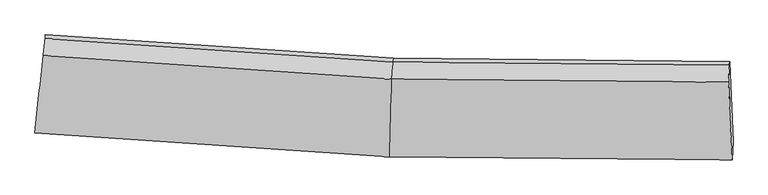
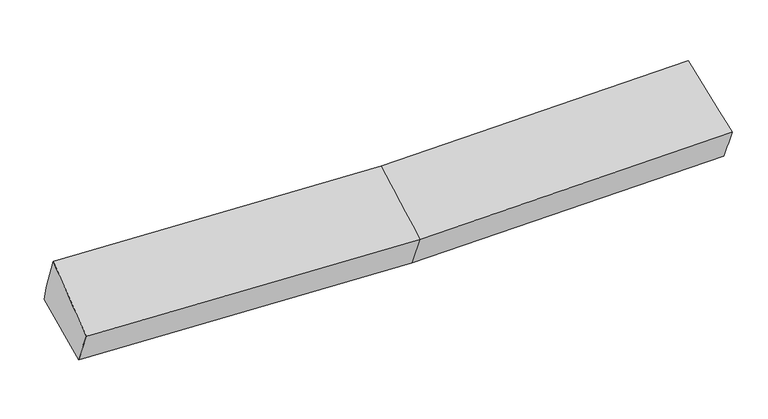
"""IFC4 building model written with IfcOpenShell, lengths in millimetres: proxy geometry."""

from ifc_helpers import new_model, si_unit, frame, origin, place, context, project, spatial, source, transform, mapped, element, save
from ifc_brep_helpers import plane_surface, spline_surface, advanced_brep


def generic_models_fd0217f6(model_context):
    return source(origin(), model_context, "Body", "AdvancedBrep", [
        advanced_brep(
        [(-3155.3938924, -1956.0454219, 2018.4445518), (-3137.4685641, -1795.2023797, 1669.5880021), (19.3710766, -2009.1409949, 1703.0546268), (7.0346921, -2170.3833182, 2051.9692591), (-3061.3307751, -1078.83199, 1838.7521292), (42.3510686, -1288.9729462, 1871.6663155), (-3065.2818697, -1112.8951263, 1984.7798376), (38.3999739, -1323.0360825, 2017.6940238), (-3082.3569226, -1265.3478174, 2354.9359225), (25.9743373, -1475.8209337, 2387.8984274), (3044.6812631, -1350.6774067, 2077.1796644), (3036.7588986, -1503.4728147, 2447.5034512), (3070.2161492, -2198.158031, 2112.9633416), (3077.1392659, -2036.9030176, 1763.9052018), (3048.6323578, -1316.6142704, 1931.1519561)],
        [
            (0, 1),
            (1, 2),
            (2, 3),
            (3, 0),
            (1, 4),
            (4, 5),
            (5, 1),
            (4, 6),
            (6, 7),
            (7, 5),
            (6, 8),
            (8, 9),
            (9, 7),
            (8, 0),
            (3, 9),
            (10, 11),
            (11, 12),
            (12, 13),
            (13, 14),
            (14, 10),
            (5, 2),
            (9, 11),
            (10, 7),
            (3, 12),
            (2, 13),
            (5, 14),
        ],
        [
            spline_surface(1, 1, [[(-3155.3938924, -1956.0454219, 2018.4445518), (7.0346921, -2170.3833182, 2051.9692591)], [(-3137.4685641, -1795.2023797, 1669.5880021), (19.3710766, -2009.1409949, 1703.0546268)]], [2, 2], [2, 2], [0.0, 1.0], [0.0, 1.0]),
            plane_surface(frame((-3099.3996696, -1437.0171848, 1754.1700657), z_axis=(0.025704074122352122, 0.2271555056794358, -0.973519222621224), x_axis=(0.10288890405603855, 0.9680680941477117, 0.22860017173082914))),
            plane_surface(frame((-3063.3063224, -1095.8635581, 1911.7659834), z_axis=(0.06335714257810812, 0.9715188004245181, 0.22833548323912123), x_axis=(-0.026340631117666116, -0.22708757507186988, 0.9735180555081149))),
            spline_surface(1, 1, [[(-3065.2818697, -1112.8951263, 1984.7798376), (38.3999739, -1323.0360825, 2017.6940238)], [(-3082.3569226, -1265.3478174, 2354.9359225), (25.9743373, -1475.8209337, 2387.8984274)]], [2, 2], [2, 2], [0.0, 1.0], [0.0, 1.0]),
            spline_surface(1, 1, [[(-3082.3569226, -1265.3478174, 2354.9359225), (25.9743373, -1475.8209337, 2387.8984274)], [(-3155.3938924, -1956.0454219, 2018.4445518), (7.0346921, -2170.3833182, 2051.9692591)]], [2, 2], [2, 2], [0.0, 1.0], [0.0, 1.0]),
            plane_surface(frame((3055.4855869, -1681.1651081, 2066.540723), z_axis=(0.9989104871167948, 0.03154946581204387, 0.03438706057607764), x_axis=(-0.019772024631100657, -0.3813349623630289, 0.9242254668215838))),
            plane_surface(frame((-3100.3664048, -1441.664547, 1973.3000886), z_axis=(-0.9943440272734935, 0.10618567860699801, -0.0021347328407852334), x_axis=(0.09463605847032858, 0.8949563363010923, 0.4360013446673381))),
            plane_surface(frame((-3137.4685641, -1795.2023797, 1669.5880021), z_axis=(0.02571192291712541, 0.22711032912462498, -0.9735295554962923), x_axis=(0.031054043192639033, 0.9732000658430733, 0.22785363337991243))),
            spline_surface(1, 1, [[(38.3999739, -1323.0360825, 2017.6940238), (3044.6812631, -1350.6774067, 2077.1796644)], [(25.9743373, -1475.8209337, 2387.8984274), (3036.7588986, -1503.4728147, 2447.5034512)]], [2, 2], [2, 2], [0.0, 1.0], [0.0, 1.0]),
            spline_surface(1, 1, [[(25.9743373, -1475.8209337, 2387.8984274), (3036.7588986, -1503.4728147, 2447.5034512)], [(7.0346921, -2170.3833182, 2051.9692591), (3070.2161492, -2198.158031, 2112.9633416)]], [2, 2], [2, 2], [0.0, 1.0], [0.0, 1.0]),
            spline_surface(1, 1, [[(7.0346921, -2170.3833182, 2051.9692591), (3070.2161492, -2198.158031, 2112.9633416)], [(19.3710766, -2009.1409949, 1703.0546268), (3077.1392659, -2036.9030176, 1763.9052018)]], [2, 2], [2, 2], [0.0, 1.0], [0.0, 1.0]),
            spline_surface(1, 1, [[(19.3710766, -2009.1409949, 1703.0546268), (3077.1392659, -2036.9030176, 1763.9052018)], [(42.3510686, -1288.9729462, 1871.6663155), (3048.6323578, -1316.6142704, 1931.1519561)]], [2, 2], [2, 2], [0.0, 1.0], [0.0, 1.0]),
            plane_surface(frame((40.3755212, -1306.0045143, 1944.6801696), z_axis=(0.004456620982056099, 0.9738196045735354, 0.2272784993739304), x_axis=(-0.026340631117549005, -0.22708757507181274, 0.9735180555081314))),
        ],
        [
            (0, [[1, 2, 3, 4]]),
            (1, [[5, 6, 7]]),
            (2, [[8, 9, 10, -6]]),
            (3, [[11, 12, 13, -9]]),
            (4, [[14, -4, 15, -12]]),
            (5, [[16, 17, 18, 19, 20]]),
            (6, [[-14, -11, -8, -5, -1]]),
            (7, [[21, -2, -7]]),
            (8, [[-13, 22, -16, 23]]),
            (9, [[-15, 24, -17, -22]]),
            (10, [[-3, 25, -18, -24]]),
            (11, [[-21, 26, -19, -25]]),
            (12, [[-10, -23, -20, -26]]),
        ],
    ),
    ])


if __name__ == "__main__":
    model = new_model("IFC4")
    model_context = context("Model", 3, world=origin())
    ifc_project = project(units=[si_unit("LENGTHUNIT", "METRE", prefix="MILLI")], contexts=[model_context])
    site = spatial("IfcSite", under=ifc_project)
    building = spatial("IfcBuilding", under=site)
    placement = place(None, origin())
    generic_models_shape = generic_models_fd0217f6(model_context)
    element("IfcBuildingElementProxy", 1, Name="Generic Models", at=placement, inside=building, context=model_context, shape_type="MappedRepresentation", body=[
        mapped(generic_models_shape, transform((0.0, 0.0, 0.0), x_axis=(1.0, 0.0, 0.0), y_axis=(0.0, 1.0, 0.0), z_axis=(0.0, 0.0, 1.0))),
    ])
    save(model, "model.ifc")
